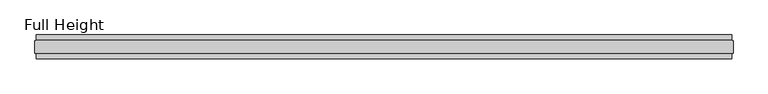
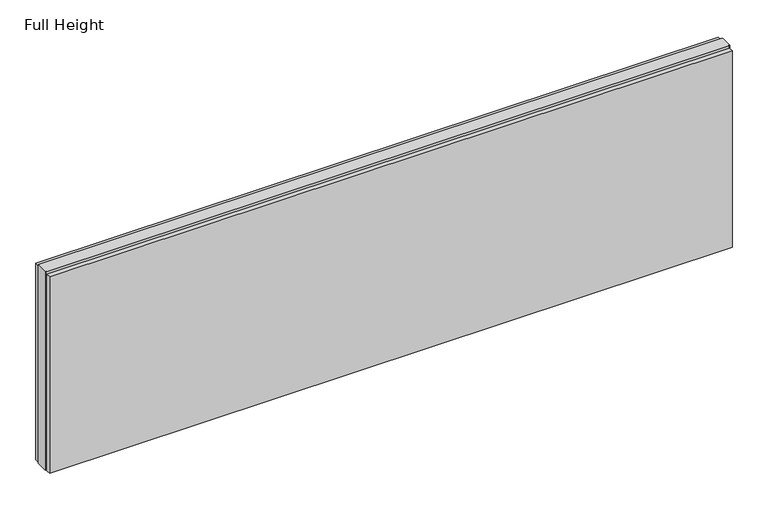
"""IFC4 building model written with IfcOpenShell, lengths in millimetres: plate geometry, Full Height."""

from ifc_helpers import new_model, si_unit, origin, origin_with_axes, place, context, project, spatial, polyline, outline, extrude, source, transform, mapped, element, save


def full_height_ef2d0a61(model_context):
    return source(origin(), model_context, "Body", "SweptSolid", [
        extrude(outline(polyline([(1434.2109569, -28.956), (1434.2109569, -49.53), (-1434.2109569, -49.53), (-1434.2109569, -28.956), (1434.2109569, -28.956)])), origin_with_axes(), (0.0, 0.0, 1.0), 873.252),
        extrude(outline(polyline([(1434.2109569, 28.956), (-1434.2109569, 28.956), (-1434.2109569, 49.53), (1434.2109569, 49.53), (1434.2109569, 28.956)])), origin_with_axes(), (0.0, 0.0, 1.0), 873.252),
        extrude(outline(polyline([(1434.2109569, 25.146), (1438.7829569, 25.146), (1438.7829569, -25.146), (1434.2109569, -25.146), (1434.2109569, -26.67), (-1434.2109569, -26.67), (-1434.2109569, -25.146), (-1438.7829569, -25.146), (-1438.7829569, 25.146), (-1434.2109569, 25.146), (-1434.2109569, 26.67), (1434.2109569, 26.67), (1434.2109569, 25.146)])), origin_with_axes(), (0.0, 0.0, 1.0), 882.396),
    ])


if __name__ == "__main__":
    model = new_model("IFC4")
    model_context = context("Model", 3, world=origin())
    ifc_project = project(units=[si_unit("LENGTHUNIT", "METRE", prefix="MILLI")], contexts=[model_context])
    site = spatial("IfcSite", under=ifc_project)
    building = spatial("IfcBuilding", under=site)
    placement = place(None, origin())
    full_height_shape = full_height_ef2d0a61(model_context)
    element("IfcPlate", 1, ObjectType="Full Height", at=placement, inside=building, context=model_context, shape_type="MappedRepresentation", body=[
        mapped(full_height_shape, transform((0.0, 0.0, 0.0), x_axis=(1.0, 0.0, 0.0), y_axis=(0.0, 1.0, 0.0), z_axis=(0.0, 0.0, 1.0))),
    ])
    save(model, "model.ifc")
